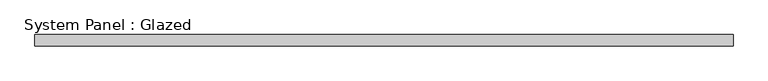
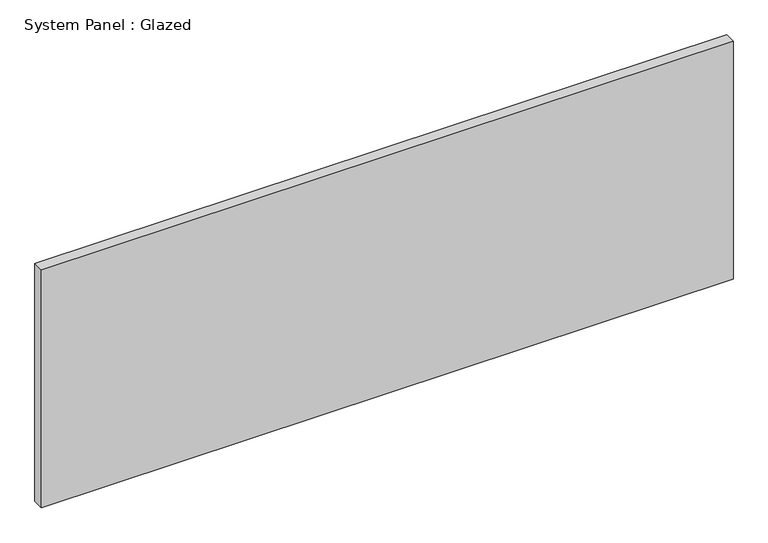
"""IFC4 building model written with IfcOpenShell, lengths in millimetres: plate geometry, System Panel : Glazed."""

import ifcopenshell
import ifcopenshell.guid

model = None  # the IFC model being written
_history = None  # IfcOwnerHistory: only IFC2X3 demands one
_inside = {}  # id of a spatial element -> (the spatial element, [elements in it])
_under = {}  # id of a project, library or spatial element -> (it, [spatial elements below it])
_declared = {}  # id of a project -> (the project, [libraries it declares])
_typed = {}  # id of a type object -> (the type object, [elements of that type])
_made_of = {}  # id of a material, layer set ... -> (it, [elements and type objects made of it])


def new_model(schema):
    """Start an empty IFC model of exactly this schema.

    Asked for "IFC4X3", IfcOpenShell would pick the latest addendum, in which some entities
    have other attributes; the version numbers below select the first issue.
    IFC2X3 requires an IfcOwnerHistory on every rooted entity: one is made here for all.
    """
    global model, _history
    if schema == "IFC4X3":
        model = ifcopenshell.file(schema_version=(4, 3, 0, 0))
    else:
        model = ifcopenshell.file(schema=schema)
    _inside.clear()
    _under.clear()
    _declared.clear()
    _typed.clear()
    _made_of.clear()
    _history = None
    if model.schema == "IFC2X3":
        org = make("IfcOrganization", Name="unknown")
        user = make(
            "IfcPersonAndOrganization",
            ThePerson=make("IfcPerson", FamilyName="unknown"),
            TheOrganization=org,
        )
        app = make(
            "IfcApplication",
            ApplicationDeveloper=org,
            Version="unknown",
            ApplicationFullName="unknown",
            ApplicationIdentifier="unknown",
        )
        _history = make(
            "IfcOwnerHistory",
            OwningUser=user,
            OwningApplication=app,
            ChangeAction="ADDED",
            CreationDate=0,
        )
    return model


def make(cls, **values):
    """One entity of the class cls with the attributes given. An attribute that is None is left unset."""
    return model.create_entity(
        cls, **{name: value for name, value in values.items() if value is not None}
    )


def rooted(cls, **values):
    """An entity with a GlobalId (a new one), such as an element, a storey or a relation."""
    return make(cls, GlobalId=ifcopenshell.guid.new(), OwnerHistory=_history, **values)


def si_unit(unit_type, name, prefix=None):
    """IfcSIUnit, for example si_unit("LENGTHUNIT", "METRE", prefix="MILLI")."""
    return make("IfcSIUnit", UnitType=unit_type, Prefix=prefix, Name=name)


def assignment(units):
    """IfcUnitAssignment: the units of a project."""
    return None if units is None else make("IfcUnitAssignment", Units=units)


def point(xyz):
    """IfcCartesianPoint."""
    return None if xyz is None else make("IfcCartesianPoint", Coordinates=xyz)


def direction(xyz):
    """IfcDirection."""
    return None if xyz is None else make("IfcDirection", DirectionRatios=xyz)


def frame(location, z_axis=None, x_axis=None):
    """IfcAxis2Placement3D, a coordinate frame: its origin and axes. An axis left out is left unset."""
    return make(
        "IfcAxis2Placement3D",
        Location=point(location),
        Axis=direction(z_axis),
        RefDirection=direction(x_axis),
    )


def origin():
    """The frame at (0, 0, 0) with its axes left unset."""
    return frame((0.0, 0.0, 0.0))


def origin_with_axes():
    """The frame at (0, 0, 0) with the z axis (0, 0, 1) and the x axis (1, 0, 0) written out."""
    return frame((0.0, 0.0, 0.0), z_axis=(0.0, 0.0, 1.0), x_axis=(1.0, 0.0, 0.0))


def place(relative_to, where):
    """IfcLocalPlacement: puts the frame where relative to a parent placement (None: the world)."""
    return make(
        "IfcLocalPlacement", PlacementRelTo=relative_to, RelativePlacement=where
    )


def context(
    kind, dimensions, precision=None, world=None, true_north=None, identifier=None
):
    """IfcGeometricRepresentationContext, for example the 3D "Model" context."""
    return make(
        "IfcGeometricRepresentationContext",
        ContextIdentifier=identifier,
        ContextType=kind,
        CoordinateSpaceDimension=dimensions,
        Precision=precision,
        WorldCoordinateSystem=world,
        TrueNorth=true_north,
    )


def project(units=None, contexts=None):
    """IfcProject with its units and contexts."""
    return rooted(
        "IfcProject",
        Name="project",
        RepresentationContexts=contexts,
        UnitsInContext=assignment(units),
    )


def spatial(cls, under=None, at=None, **own):
    """A site, building, storey or space (cls), placed at a placement, below another one or the project."""
    s = rooted(cls, ObjectPlacement=at, **own)
    if under is not None:
        _under.setdefault(under.id(), (under, []))[1].append(s)
    return s


def polyline(points):
    """IfcPolyline through the points."""
    return make("IfcPolyline", Points=[point(p) for p in points])


def outline(outer, holes=None, kind="AREA"):
    """IfcArbitraryClosedProfileDef: a profile drawn as a closed curve; with holes, ...WithVoids."""
    if holes is None:
        return make("IfcArbitraryClosedProfileDef", ProfileType=kind, OuterCurve=outer)
    return make(
        "IfcArbitraryProfileDefWithVoids",
        ProfileType=kind,
        OuterCurve=outer,
        InnerCurves=holes,
    )


def extrude(swept, where, along, depth):
    """IfcExtrudedAreaSolid: the profile swept, set in the frame where, extruded along a direction by depth."""
    return make(
        "IfcExtrudedAreaSolid",
        SweptArea=swept,
        Position=where,
        ExtrudedDirection=direction(along),
        Depth=depth,
    )


def shape(context_of_items, identifier, shape_type, items):
    """IfcShapeRepresentation: the items that make up one representation, for example the "Body"."""
    return make(
        "IfcShapeRepresentation",
        ContextOfItems=context_of_items,
        RepresentationIdentifier=identifier,
        RepresentationType=shape_type,
        Items=items,
    )


def source(mapping_origin, context_of_items, identifier, shape_type, items):
    """IfcRepresentationMap: a shape defined once, which mapped items show again and again."""
    return make(
        "IfcRepresentationMap",
        MappingOrigin=mapping_origin,
        MappedRepresentation=shape(context_of_items, identifier, shape_type, items),
    )


def transform(
    local_origin,
    x_axis=None,
    y_axis=None,
    z_axis=None,
    scale=None,
    scale2=None,
    scale3=None,
    uniform=True,
):
    """IfcCartesianTransformationOperator3D, or its non-uniform kind. x_axis, y_axis, z_axis: its Axis1, 2, 3."""
    if uniform:
        return make(
            "IfcCartesianTransformationOperator3D",
            Axis1=direction(x_axis),
            Axis2=direction(y_axis),
            LocalOrigin=point(local_origin),
            Scale=scale,
            Axis3=direction(z_axis),
        )
    return make(
        "IfcCartesianTransformationOperator3DnonUniform",
        Axis1=direction(x_axis),
        Axis2=direction(y_axis),
        LocalOrigin=point(local_origin),
        Scale=scale,
        Axis3=direction(z_axis),
        Scale2=scale2,
        Scale3=scale3,
    )


def mapped(mapping_source, mapping_target):
    """IfcMappedItem: shows the shape of a source again, moved by a transform."""
    return make(
        "IfcMappedItem", MappingSource=mapping_source, MappingTarget=mapping_target
    )


def made_of(thing, what):
    """Note that an element or type object is made of a material, layer set ...; save() writes the relation."""
    if what is not None:
        _made_of.setdefault(what.id(), (what, []))[1].append(thing)
    return thing


def element(
    cls,
    number,
    at=None,
    inside=None,
    cuts=None,
    type_object=None,
    material=None,
    context=None,
    identifier="Body",
    shape_type=None,
    held_by="IfcProductDefinitionShape",
    body=None,
    shapes=None,
    **own,
):
    """One element of the class cls, such as IfcWall. Its Tag is "e" and its number.

    at: its placement. inside: the storey or other place that contains it. cuts: it is an
    opening in that element (IfcRelVoidsElement). A single representation is given by context,
    identifier, shape_type and body (its items); several are given by shapes. held_by: the class
    of the entity that holds the representations. save() writes the other relations.
    """
    e = rooted(cls, Tag="e%d" % number, ObjectPlacement=at, **own)
    if body is not None:
        shapes = [shape(context, identifier, shape_type, body)]
    if shapes is not None:
        e.Representation = make(held_by, Representations=shapes)
    if inside is not None:
        _inside.setdefault(inside.id(), (inside, []))[1].append(e)
    if cuts is not None:
        rooted(
            "IfcRelVoidsElement", RelatingBuildingElement=cuts, RelatedOpeningElement=e
        )
    if type_object is not None:
        _typed.setdefault(type_object.id(), (type_object, []))[1].append(e)
    return made_of(e, material)


def aggregate(whole, parts):
    """IfcRelAggregates: a whole, such as a stair, and the parts it consists of."""
    return rooted("IfcRelAggregates", RelatingObject=whole, RelatedObjects=parts)


def save(model, path):
    """Write the relations noted so far, then the file.

    IfcRelAggregates (storeys below a building ...), IfcRelContainedInSpatialStructure (elements
    in a storey), IfcRelDefinesByType, IfcRelAssociatesMaterial and IfcRelDeclares: one each for
    every whole, place, type object, material and project.
    """
    for whole, parts in _under.values():
        aggregate(whole, parts)
    for where, things in _inside.values():
        rooted(
            "IfcRelContainedInSpatialStructure",
            RelatedElements=things,
            RelatingStructure=where,
        )
    for kind, things in _typed.values():
        rooted("IfcRelDefinesByType", RelatedObjects=things, RelatingType=kind)
    for what, things in _made_of.values():
        rooted("IfcRelAssociatesMaterial", RelatedObjects=things, RelatingMaterial=what)
    for by, libraries in _declared.values():
        rooted("IfcRelDeclares", RelatingContext=by, RelatedDefinitions=libraries)
    model.write(path)


def system_panel_glazed_90291604(model_context):
    return source(origin(), model_context, "Body", "SweptSolid", [
        extrude(outline(polyline([(769.0628487, 24.5), (-769.0628487, 24.5), (-769.0628487, 49.5), (769.0628487, 49.5), (769.0628487, 24.5)])), origin_with_axes(), (0.0, 0.0, 1.0), 559.6),
    ])


if __name__ == "__main__":
    model = new_model("IFC4")
    model_context = context("Model", 3, world=origin())
    ifc_project = project(units=[si_unit("LENGTHUNIT", "METRE", prefix="MILLI")], contexts=[model_context])
    site = spatial("IfcSite", under=ifc_project)
    building = spatial("IfcBuilding", under=site)
    placement = place(None, origin())
    system_panel_glazed_shape = system_panel_glazed_90291604(model_context)
    element("IfcPlate", 1, ObjectType="System Panel : Glazed", at=placement, inside=building, context=model_context, shape_type="MappedRepresentation", body=[
        mapped(system_panel_glazed_shape, transform((0.0, 0.0, 0.0), x_axis=(1.0, 0.0, 0.0), y_axis=(0.0, 1.0, 0.0), z_axis=(0.0, 0.0, 1.0))),
    ])
    save(model, "model.ifc")
